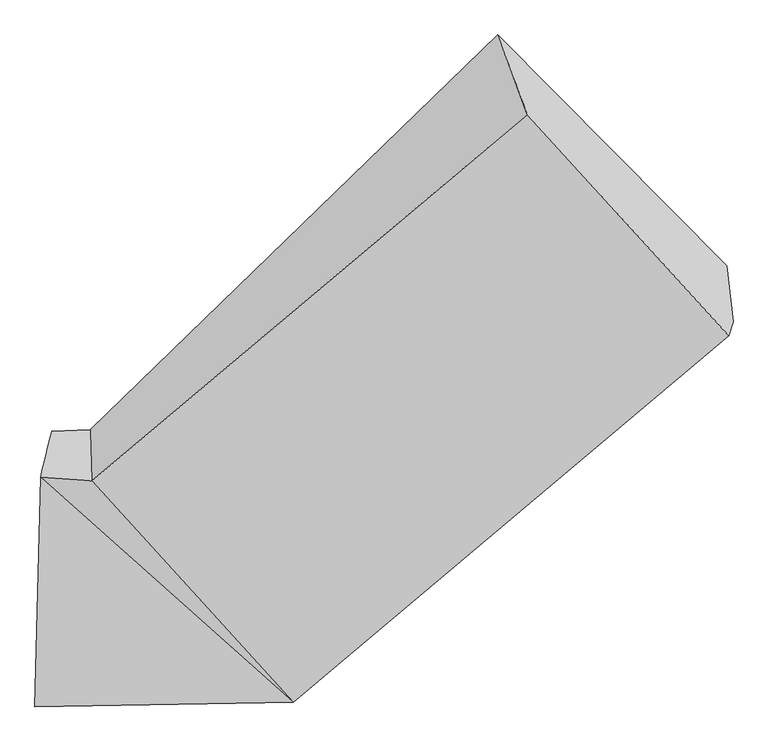
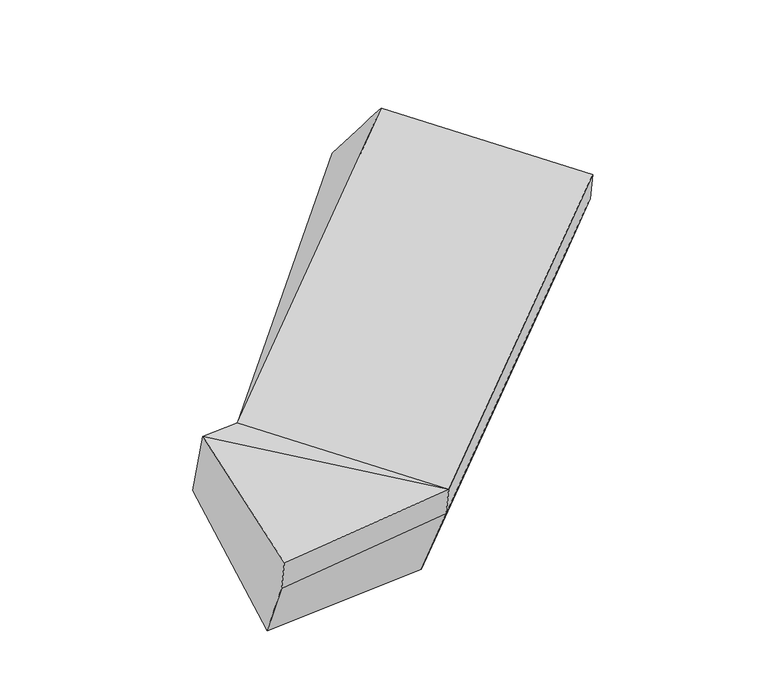
"""IFC4 building model written with IfcOpenShell, lengths in millimetres: proxy geometry."""

from ifc_helpers import new_model, si_unit, frame, origin, place, context, project, spatial, source, transform, mapped, element, save
from ifc_brep_helpers import plane_surface, spline_surface, advanced_brep


def generic_models_cf0a12f1(model_context):
    return source(origin(), model_context, "Body", "AdvancedBrep", [
        advanced_brep(
        [(-720.5177883, -1608.6704416, 1691.5730609), (-754.1963775, -1747.3682378, 2058.9233996), (-598.0771974, -1758.4603329, 2078.3094401), (-602.8338395, -1603.0292542, 1696.6249967), (-771.3804321, -2445.4131745, 1856.1688744), (13.8532619, -2430.9596943, 1938.0036244), (-757.3828445, -2399.3226714, 1696.301776), (26.970359, -2387.768423, 1788.1926493), (-724.7115045, -2224.8400934, 1364.7778662), (7.7872576, -2217.1197664, 1411.4387985), (1349.7699419, -1275.1929402, 2224.7750829), (1330.5868405, -1104.5442836, 1848.0212322), (634.07712, -404.0771477, 2173.3210951), (724.7223855, -645.88485, 2514.8918738), (1336.6528447, -1318.3842115, 2374.5860581)],
        [
            (0, 1),
            (1, 2),
            (2, 3),
            (3, 0),
            (1, 4),
            (4, 5),
            (5, 1),
            (4, 6),
            (6, 7),
            (7, 5),
            (6, 8),
            (8, 9),
            (9, 7),
            (8, 0),
            (3, 9),
            (10, 11),
            (11, 12),
            (12, 13),
            (13, 14),
            (14, 10),
            (5, 2),
            (9, 11),
            (10, 7),
            (3, 12),
            (2, 13),
            (5, 14),
        ],
        [
            spline_surface(1, 1, [[(-720.5177883, -1608.6704416, 1691.5730609), (-602.8338395, -1603.0292542, 1696.6249967)], [(-754.1963775, -1747.3682378, 2058.9233996), (-598.0771974, -1758.4603329, 2078.3094401)]], [2, 2], [2, 2], [0.0, 1.0], [0.0, 1.0]),
            plane_surface(frame((-762.7884048, -2096.3907062, 1957.546137), z_axis=(-0.09462487377889586, -0.2755319449691211, 0.9566233744603262), x_axis=(-0.023633754884253736, -0.9600425096418101, -0.27885448770053156))),
            plane_surface(frame((-764.3816383, -2422.367923, 1776.2353252), z_axis=(0.046137801604096806, -0.960908413630795, -0.27299509863125726), x_axis=(0.08383479168480787, 0.27604668854346265, -0.9574810459990074))),
            spline_surface(1, 1, [[(-757.3828445, -2399.3226714, 1696.301776), (26.970359, -2387.768423, 1788.1926493)], [(-724.7115045, -2224.8400934, 1364.7778662), (7.7872576, -2217.1197664, 1411.4387985)]], [2, 2], [2, 2], [0.0, 1.0], [0.0, 1.0]),
            spline_surface(1, 1, [[(-724.7115045, -2224.8400934, 1364.7778662), (7.7872576, -2217.1197664, 1411.4387985)], [(-720.5177883, -1608.6704416, 1691.5730609), (-602.8338395, -1603.0292542, 1696.6249967)]], [2, 2], [2, 2], [0.0, 1.0], [0.0, 1.0]),
            plane_surface(frame((1075.1618265, -949.6166866, 2227.1190684), z_axis=(0.7419960302455815, 0.6240753340935539, 0.24489154431261467), x_axis=(-0.04633107155284444, 0.4121510367358544, -0.9099367861155662))),
            plane_surface(frame((-745.6377894, -2085.1229238, 1733.5489954), z_axis=(-0.9961993642505673, 0.046006580234229315, -0.07396094403073344), x_axis=(-0.006012672615834934, -0.8834232480035894, -0.4685373119131535))),
            plane_surface(frame((-754.1963775, -1747.3682378, 2058.9233996), z_axis=(-0.13916193603031995, -0.3220039746032085, 0.9364546950600598), x_axis=(0.6651418035298662, -0.730977566769472, -0.15250632143232284))),
            plane_surface(frame((17.3788083, -2302.4440947, 1599.8157239), z_axis=(0.6688014076753772, -0.663823395409937, -0.3347285120778579), x_axis=(-0.04633107155284444, 0.4121510367358544, -0.9099367861155662))),
            plane_surface(frame((-297.5232909, -1910.0745103, 1554.0318976), z_axis=(-0.030262636500457102, 0.3960966807493599, -0.9177099717946741), x_axis=(-0.6697208850945584, 0.6735260922008643, 0.31278832969405096))),
            spline_surface(1, 1, [[(-602.8338395, -1603.0292542, 1696.6249967), (634.07712, -404.0771477, 2173.3210951)], [(-598.0771974, -1758.4603329, 2078.3094401), (724.7223855, -645.88485, 2514.8918738)]], [2, 2], [2, 2], [0.0, 1.0], [0.0, 1.0]),
            plane_surface(frame((-292.1119678, -2094.7100136, 2008.1565322), z_axis=(-0.08383479168480998, -0.27604668854345726, 0.9574810459990089), x_axis=(0.6651418035298662, -0.730977566769472, -0.15250632143232284))),
            plane_surface(frame((20.4118104, -2409.3640587, 1863.0981368), z_axis=(0.6651418035298675, -0.7309775667694699, -0.15250632143232765), x_axis=(0.0838347916848083, 0.27604668854346265, -0.9574810459990074))),
        ],
        [
            (0, [[1, 2, 3, 4]]),
            (1, [[5, 6, 7]]),
            (2, [[8, 9, 10, -6]]),
            (3, [[11, 12, 13, -9]]),
            (4, [[14, -4, 15, -12]]),
            (5, [[16, 17, 18, 19, 20]]),
            (6, [[-14, -11, -8, -5, -1]]),
            (7, [[21, -2, -7]]),
            (8, [[-13, 22, -16, 23]]),
            (9, [[-15, 24, -17, -22]]),
            (10, [[-3, 25, -18, -24]]),
            (11, [[-21, 26, -19, -25]]),
            (12, [[-10, -23, -20, -26]]),
        ],
    ),
    ])


if __name__ == "__main__":
    model = new_model("IFC4")
    model_context = context("Model", 3, world=origin())
    ifc_project = project(units=[si_unit("LENGTHUNIT", "METRE", prefix="MILLI")], contexts=[model_context])
    site = spatial("IfcSite", under=ifc_project)
    building = spatial("IfcBuilding", under=site)
    placement = place(None, origin())
    generic_models_shape = generic_models_cf0a12f1(model_context)
    element("IfcBuildingElementProxy", 1, Name="Generic Models", at=placement, inside=building, context=model_context, shape_type="MappedRepresentation", body=[
        mapped(generic_models_shape, transform((0.0, 0.0, 0.0), x_axis=(1.0, 0.0, 0.0), y_axis=(0.0, 1.0, 0.0), z_axis=(0.0, 0.0, 1.0))),
    ])
    save(model, "model.ifc")
